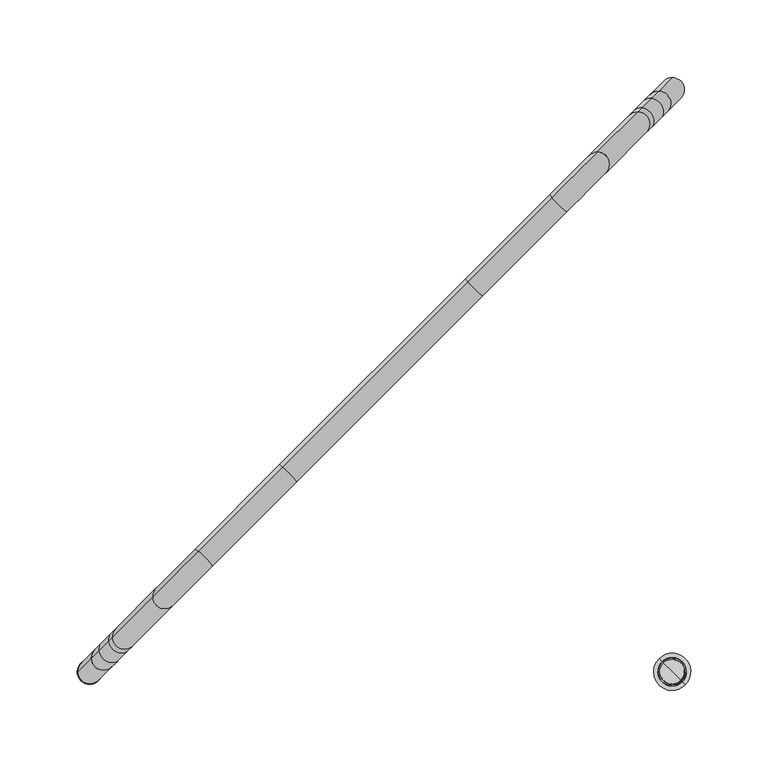
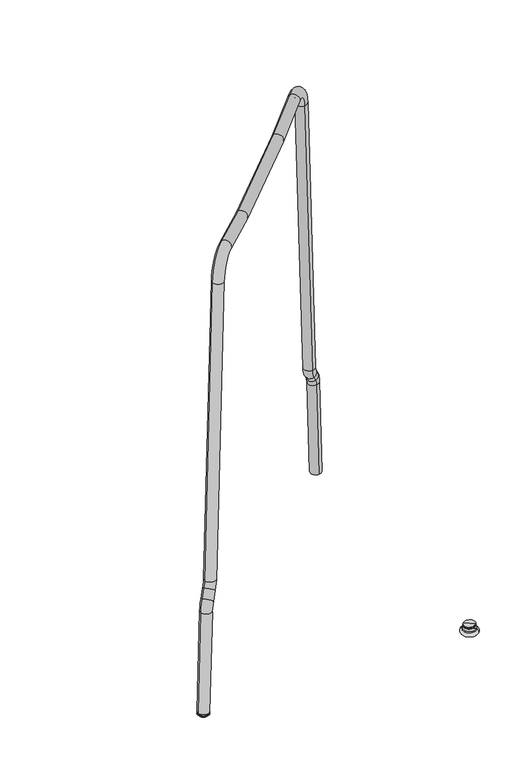
"""IFC4 building model written with IfcOpenShell, lengths in millimetres: furniture geometry."""

from ifc_helpers import new_model, si_unit, point, frame, origin, place, context, project, spatial, polyline, circle_curve, ellipse_curve, trimmed, source, transform, mapped, element, save
from ifc_brep_helpers import plane_surface, cylinder_surface, revolved_surface, advanced_brep


def furniture_56be67d6(model_context):
    return source(origin(), model_context, "Body", "AdvancedBrep", [
        advanced_brep(
        [(-188.2813372, -188.2813372, 12.9997334), (-193.9166972, -193.9166972, 13.6969833), (-182.6459771, -182.6459771, 12.3024835), (-193.9543495, -193.9543495, 12.4468681), (-182.7623958, -182.7623958, 11.0621139), (-194.0706941, -194.0706941, 11.2064914), (-182.8001218, -182.8001218, 9.81201), (-193.2260889, -193.2260889, 11.1019904), (-183.6447269, -183.644727, 9.916511), (-188.7105644, -188.7105644, 6.0614743)],
        [
            (0, 1),
            (1, 2, circle_curve(frame((-188.2813372, -188.2813372, 12.9997334), z_axis=(0.06162841671622601, 0.06162841671622601, 0.9961946980917448), x_axis=(-0.7044160264027566, -0.7044160264027597, 0.08715574274766758)), 8.0000452)),
            (2, 0),
            (2, 1, circle_curve(frame((-188.2813372, -188.2813372, 12.9997334), z_axis=(0.06162841671622601, 0.06162841671622601, 0.9961946980917448), x_axis=(-0.7044160264027566, -0.7044160264027597, 0.08715574274766758)), 8.0000452)),
            (1, 3),
            (3, 4, circle_curve(frame((-188.3583726, -188.3583726, 11.754491), z_axis=(0.06162841671622601, 0.06162841671622601, 0.9961946980917448), x_axis=(-0.7044160264027566, -0.7044160264027597, 0.08715574274766758)), 7.9441362)),
            (4, 2),
            (4, 3, circle_curve(frame((-188.3583726, -188.3583726, 11.754491), z_axis=(0.06162841671622601, 0.06162841671622601, 0.9961946980917448), x_axis=(-0.7044160264027566, -0.7044160264027597, 0.08715574274766758)), 7.9441362)),
            (3, 5),
            (5, 6, circle_curve(frame((-188.4354079, -188.4354079, 10.5092507), z_axis=(0.06162841671622601, 0.06162841671622601, 0.9961946980917448), x_axis=(-0.7044160264027566, -0.7044160264027597, 0.08715574274766758)), 7.9999403)),
            (6, 4),
            (6, 5, circle_curve(frame((-188.4354079, -188.4354079, 10.5092507), z_axis=(0.06162841671622601, 0.06162841671622601, 0.9961946980917448), x_axis=(-0.7044160264027566, -0.7044160264027597, 0.08715574274766758)), 7.9999403)),
            (5, 7),
            (7, 8, circle_curve(frame((-188.4354079, -188.4354079, 10.5092507), z_axis=(0.06162841671622601, 0.06162841671622601, 0.9961946980917448), x_axis=(-0.7044160264027566, -0.7044160264027597, 0.08715574274766758)), 6.8009256)),
            (8, 6),
            (8, 7, circle_curve(frame((-188.4354079, -188.4354079, 10.5092507), z_axis=(0.06162841671622601, 0.06162841671622601, 0.9961946980917448), x_axis=(-0.7044160264027566, -0.7044160264027597, 0.08715574274766758)), 6.8009256)),
            (7, 9, circle_curve(frame((-188.1972766, -188.1972766, 13.5465988), z_axis=(0.707106781186549, -0.707106781186546, 0.0), x_axis=(-0.7071067811865461, -0.707106781186549, 0.0)), 7.5202405)),
            (9, 8, circle_curve(frame((-188.2969722, -188.2969722, 13.5589339), z_axis=(0.7071067811865467, -0.7071067811865483, 0.0), x_axis=(0.6963642403200175, 0.6963642403200158, -0.17364817766694896)), 7.5202405)),
        ],
        [
            plane_surface(frame((-188.2813372, -188.2813372, 12.9997334), z_axis=(0.06162841671622586, 0.06162841671622614, 0.9961946980917448), x_axis=(-0.7044160264027566, -0.7044160264027597, 0.08715574274766758))),
            revolved_surface(polyline([(-193.9543495, -193.9543495, 12.4468681), (-193.9166972, -193.9166972, 13.6969833)]), (-188.2813372, -188.2813372, 12.9997334), (0.06162841671622601, 0.06162841671622601, 0.9961946980917448)),
            revolved_surface(polyline([(-194.0706941, -194.0706941, 11.2064914), (-193.9543495, -193.9543495, 12.4468681)]), (-188.2813372, -188.2813372, 12.9997334), (0.06162841671622601, 0.06162841671622601, 0.9961946980917448)),
            plane_surface(frame((-188.4354079, -188.4354079, 10.5092507), z_axis=(-0.06162841671622586, -0.06162841671622614, -0.9961946980917448), x_axis=(-0.7044160264027566, -0.7044160264027597, 0.08715574274766758))),
            revolved_surface(trimmed(ellipse_curve(frame((-188.1972766, -188.1972766, 13.5465988), z_axis=(-0.707106781186549, 0.707106781186546, 0.0), x_axis=(-0.7071067811865461, -0.707106781186549, 0.0)), 7.5202405, 7.5202405), [point((-188.7105644, -188.7105644, 6.0614743))], [point((-193.2260889, -193.2260889, 11.1019904))], True, "CARTESIAN"), (-188.2813372, -188.2813372, 12.9997334), (0.06162841671622601, 0.06162841671622601, 0.9961946980917448)),
        ],
        [
            (0, [[1, 2, 3]]),
            (0, [[-3, 4, -1]]),
            (1, [[-2, 5, 6, 7]]),
            (1, [[-4, -7, 8, -5]]),
            (2, [[-6, 9, 10, 11]]),
            (2, [[-8, -11, 12, -9]]),
            (3, [[-10, 13, 14, 15]]),
            (3, [[-12, -15, 16, -13]]),
            (4, [[-14, 17, 18]]),
            (4, [[-16, -18, -17]]),
        ],
    ),
        advanced_brep(
        [(181.7333944, -181.7333944, 5.5096764), (194.8341476, -194.8341476, 5.5096764), (194.6483237, -194.6483237, 7.0000593), (181.9192183, -181.9192183, 7.0000593), (181.7333944, -181.7333944, 0.0), (194.8341476, -194.8341476, 0.0), (188.283771, -188.283771, 0.0), (188.283771, -188.283771, 7.0000593)],
        [
            (0, 1, circle_curve(frame((188.283771, -188.283771, 5.5096764), z_axis=(0.0, 0.0, 1.0), x_axis=(0.7071067811865459, -0.7071067811865491, 0.0)), 9.2636315)),
            (1, 2, circle_curve(frame((198.5925934, -198.5925934, 7.2152579), z_axis=(0.7071067811865491, 0.7071067811865459, 0.0), x_axis=(0.7071067811865459, -0.7071067811865491, 0.0)), 5.5821893)),
            (2, 3, circle_curve(frame((188.283771, -188.283771, 7.0000593), z_axis=(0.0, 0.0, -1.0), x_axis=(0.7071067811865459, -0.7071067811865491, 0.0)), 9.0008368)),
            (3, 0, circle_curve(frame((177.9749486, -177.9749486, 7.2152579), z_axis=(0.7071067811865468, 0.7071067811865482, 0.0), x_axis=(-0.7071067811865482, 0.7071067811865468, 0.0)), 5.5821893)),
            (1, 0, circle_curve(frame((188.283771, -188.283771, 5.5096764), z_axis=(0.0, 0.0, 1.0), x_axis=(0.7071067811865459, -0.7071067811865491, 0.0)), 9.2636315)),
            (3, 2, circle_curve(frame((188.283771, -188.283771, 7.0000593), z_axis=(0.0, 0.0, -1.0), x_axis=(0.7071067811865459, -0.7071067811865491, 0.0)), 9.0008368)),
            (4, 5, circle_curve(frame((188.283771, -188.283771, 0.0), z_axis=(0.0, 0.0, 1.0), x_axis=(0.7071067811865459, -0.7071067811865491, 0.0)), 9.2636315)),
            (5, 1, circle_curve(frame((194.8341476, -194.8341476, 2.7548382), z_axis=(-0.7071067811865491, -0.7071067811865459, 0.0), x_axis=(0.7071067811865459, -0.7071067811865491, 0.0)), 2.7548382)),
            (0, 4, circle_curve(frame((181.7333944, -181.7333944, 2.7548382), z_axis=(-0.7071067811865468, -0.7071067811865482, 0.0), x_axis=(-0.7071067811865482, 0.7071067811865468, 0.0)), 2.7548382)),
            (5, 4, circle_curve(frame((188.283771, -188.283771, 0.0), z_axis=(0.0, 0.0, 1.0), x_axis=(0.7071067811865459, -0.7071067811865491, 0.0)), 9.2636315)),
            (6, 5),
            (4, 6),
            (2, 7),
            (7, 3),
        ],
        [
            revolved_surface(trimmed(ellipse_curve(frame((198.5925934, -198.5925934, 7.2152579), z_axis=(-0.7071067811865491, -0.7071067811865459, 0.0), x_axis=(0.7071067811865459, -0.7071067811865491, 0.0)), 5.5821893, 5.5821893), [point((194.6483237, -194.6483237, 7.0000593))], [point((194.8341476, -194.8341476, 5.5096764))], True, "CARTESIAN"), (188.283771, -188.283771, 7.0000593), (0.0, 0.0, -1.0)),
            revolved_surface(trimmed(ellipse_curve(frame((194.8341476, -194.8341476, 2.7548382), z_axis=(0.7071067811865491, 0.7071067811865459, 0.0), x_axis=(0.7071067811865459, -0.7071067811865491, 0.0)), 2.7548382, 2.7548382), [point((194.8341476, -194.8341476, 5.5096764))], [point((194.8341476, -194.8341476, 0.0))], True, "CARTESIAN"), (188.283771, -188.283771, 7.0000593), (0.0, 0.0, -1.0)),
            plane_surface(frame((188.283771, -188.283771, 0.0), z_axis=(0.0, 0.0, -1.0), x_axis=(0.7071067811865459, -0.7071067811865491, 0.0))),
            plane_surface(frame((188.283771, -188.283771, 7.0000593), z_axis=(0.0, 0.0, 1.0), x_axis=(0.7071067811865459, -0.7071067811865491, 0.0))),
        ],
        [
            (0, [[1, 2, 3, 4]]),
            (0, [[5, -4, 6, -2]]),
            (1, [[7, 8, -1, 9]]),
            (1, [[10, -9, -5, -8]]),
            (2, [[11, -7, 12]]),
            (2, [[-12, -10, -11]]),
            (3, [[-3, 13, 14]]),
            (3, [[-6, -14, -13]]),
        ],
    ),
        advanced_brep(
        [(182.6459771, -182.6459771, 12.3024835), (193.9166972, -193.9166972, 13.6969833), (188.2813372, -188.2813372, 12.9997334), (182.7623958, -182.7623958, 11.0621139), (193.9543495, -193.9543495, 12.4468681), (182.8001218, -182.8001218, 9.81201), (194.0706941, -194.0706941, 11.2064914), (183.644727, -183.644727, 9.916511), (193.2260889, -193.2260889, 11.1019904), (188.7105644, -188.7105644, 6.0614743)],
        [
            (0, 1, circle_curve(frame((188.2813372, -188.2813372, 12.9997334), z_axis=(-0.061628416716226014, 0.061628416716226014, 0.9961946980917449), x_axis=(0.7044160264027565, -0.7044160264027597, 0.08715574274766758)), 8.0000452)),
            (1, 2),
            (2, 0),
            (1, 0, circle_curve(frame((188.2813372, -188.2813372, 12.9997334), z_axis=(-0.061628416716226014, 0.061628416716226014, 0.9961946980917449), x_axis=(0.7044160264027565, -0.7044160264027597, 0.08715574274766758)), 8.0000452)),
            (3, 4, circle_curve(frame((188.3583726, -188.3583726, 11.754491), z_axis=(-0.061628416716226014, 0.061628416716226014, 0.9961946980917449), x_axis=(0.7044160264027565, -0.7044160264027597, 0.08715574274766758)), 7.9441362)),
            (4, 1),
            (0, 3),
            (4, 3, circle_curve(frame((188.3583726, -188.3583726, 11.754491), z_axis=(-0.061628416716226014, 0.061628416716226014, 0.9961946980917449), x_axis=(0.7044160264027565, -0.7044160264027597, 0.08715574274766758)), 7.9441362)),
            (5, 6, circle_curve(frame((188.4354079, -188.4354079, 10.5092507), z_axis=(-0.061628416716226014, 0.061628416716226014, 0.9961946980917449), x_axis=(0.7044160264027565, -0.7044160264027597, 0.08715574274766758)), 7.9999403)),
            (6, 4),
            (3, 5),
            (6, 5, circle_curve(frame((188.4354079, -188.4354079, 10.5092507), z_axis=(-0.061628416716226014, 0.061628416716226014, 0.9961946980917449), x_axis=(0.7044160264027565, -0.7044160264027597, 0.08715574274766758)), 7.9999403)),
            (7, 8, circle_curve(frame((188.4354079, -188.4354079, 10.5092507), z_axis=(-0.061628416716226014, 0.061628416716226014, 0.9961946980917449), x_axis=(0.7044160264027565, -0.7044160264027597, 0.08715574274766758)), 6.8009256)),
            (8, 6),
            (5, 7),
            (8, 7, circle_curve(frame((188.4354079, -188.4354079, 10.5092507), z_axis=(-0.061628416716226014, 0.061628416716226014, 0.9961946980917449), x_axis=(0.7044160264027565, -0.7044160264027597, 0.08715574274766758)), 6.8009256)),
            (9, 8, circle_curve(frame((188.1972766, -188.1972766, 13.5465988), z_axis=(-0.7071067811865492, -0.707106781186546, 0.0), x_axis=(0.7071067811865459, -0.7071067811865491, 0.0)), 7.5202405)),
            (7, 9, circle_curve(frame((188.2969722, -188.2969722, 13.5589339), z_axis=(-0.707106781186547, -0.7071067811865482, 0.0), x_axis=(-0.6963642403200173, 0.6963642403200159, -0.17364817766694896)), 7.5202405)),
        ],
        [
            plane_surface(frame((188.2813372, -188.2813372, 12.9997334), z_axis=(-0.06162841671622587, 0.06162841671622615, 0.9961946980917449), x_axis=(0.7044160264027566, -0.7044160264027598, 0.08715574274766759))),
            revolved_surface(polyline([(193.9166972, -193.9166972, 13.6969833), (193.9543495, -193.9543495, 12.4468681)]), (188.2813372, -188.2813372, 12.9997334), (0.061628416716226, -0.061628416716226, -0.9961946980917447)),
            revolved_surface(polyline([(193.9543495, -193.9543495, 12.4468681), (194.0706941, -194.0706941, 11.2064914)]), (188.2813372, -188.2813372, 12.9997334), (0.061628416716226, -0.061628416716226, -0.9961946980917447)),
            plane_surface(frame((188.4354079, -188.4354079, 10.5092507), z_axis=(0.06162841671622587, -0.06162841671622615, -0.9961946980917449), x_axis=(0.7044160264027566, -0.7044160264027598, 0.08715574274766759))),
            revolved_surface(trimmed(ellipse_curve(frame((188.1972766, -188.1972766, 13.5465988), z_axis=(0.7071067811865492, 0.707106781186546, 0.0), x_axis=(0.7071067811865459, -0.7071067811865491, 0.0)), 7.5202405, 7.5202405), [point((193.2260889, -193.2260889, 11.1019904))], [point((188.7105644, -188.7105644, 6.0614743))], True, "CARTESIAN"), (188.2813372, -188.2813372, 12.9997334), (0.061628416716226, -0.061628416716226, -0.9961946980917447)),
        ],
        [
            (0, [[1, 2, 3]]),
            (0, [[4, -3, -2]]),
            (1, [[5, 6, -1, 7]]),
            (1, [[8, -7, -4, -6]]),
            (2, [[9, 10, -5, 11]]),
            (2, [[12, -11, -8, -10]]),
            (3, [[13, 14, -9, 15]]),
            (3, [[16, -15, -12, -14]]),
            (4, [[17, -13, 18]]),
            (4, [[-18, -16, -17]]),
        ],
    ),
        advanced_brep(
        [(-180.5018441, -188.3105119, 12.5202691), (-196.0600088, -188.2511957, 13.4790872), (-187.2847373, -179.4759242, 155.3272697), (-171.7265727, -179.5352404, 154.3684516), (-168.8238463, -176.6325141, 164.1023843), (-182.5272054, -174.7183923, 171.2810629), (-176.4047706, -168.5959575, 181.3356761), (-162.7014115, -170.5100793, 174.1569975), (-158.2151896, -166.0238573, 189.2009865), (-173.7733543, -165.9645412, 190.1598046), (-147.7722502, -139.9634371, 610.4555613), (-132.2140855, -140.0227532, 609.4967432), (-111.3917712, -119.200439, 633.2503889), (-118.2232397, -110.4144266, 644.1644332), (-56.485058, -64.2937257, 625.8068251), (-63.7871563, -55.9783432, 636.7846716), (64.2936789, 56.4850111, 625.8068251), (55.9782964, 63.7871095, 636.7846716), (119.2003922, 111.3917244, 633.2503889), (110.4143798, 118.2231929, 644.1644332), (140.0227064, 132.2140387, 609.4967432), (139.9633903, 147.7722034, 610.4555613), (165.9644944, 173.7733075, 190.1598046), (166.0238105, 158.2151428, 189.2009865), (170.5100325, 162.7013647, 174.1569975), (168.5959107, 176.4047238, 181.3356761), (174.7183455, 182.5271586, 171.2810629), (176.6324673, 168.8237995, 164.1023843), (179.5351936, 171.7265258, 154.3684516), (179.4758774, 187.2846905, 155.3272697), (188.3104651, 180.5017973, 12.5202691), (188.2511489, 196.059962, 13.4790872)],
        [
            (0, 1, circle_curve(frame((-188.2809265, -188.2808538, 12.9996781), z_axis=(-0.061628416716221705, -0.06162841671622218, -0.9961946980917453), x_axis=(-0.9980991625349916, 0.003805294994238739, 0.06151082406337193)), 7.7938973)),
            (1, 0, circle_curve(frame((-188.2809265, -188.2808538, 12.9996781), z_axis=(-0.061628416716221705, -0.06162841671622218, -0.9961946980917453), x_axis=(-0.9980991625349916, 0.003805294994238739, 0.06151082406337193)), 7.7938973)),
            (1, 2),
            (2, 3, circle_curve(frame((-179.505655, -179.5055823, 154.8478606), z_axis=(-0.061628416716221705, -0.06162841671622218, -0.9961946980917453), x_axis=(-0.9980991625349916, 0.003805294994238739, 0.06151082406337193)), 7.7938973)),
            (3, 0),
            (3, 2, circle_curve(frame((-179.505655, -179.5055823, 154.8478606), z_axis=(-0.061628416716221705, -0.06162841671622218, -0.9961946980917453), x_axis=(-0.9980991625349916, 0.003805294994238739, 0.06151082406337193)), 7.7938973)),
            (4, 3, circle_curve(frame((-159.5989093, -167.4075771, 152.8679242), z_axis=(0.7071067811865491, -0.7071067811865459, 0.0), x_axis=(-0.7044160264027568, -0.70441602640276, 0.08715574274766161)), 17.2166204)),
            (2, 5, circle_curve(frame((-167.4076497, -159.5988366, 152.8679242), z_axis=(-0.7071067811865491, 0.7071067811865459, 0.0), x_axis=(-0.7044160264027568, -0.70441602640276, 0.08715574274766161)), 28.2178242)),
            (5, 4, circle_curve(frame((-175.6755259, -175.6754532, 167.6917236), z_axis=(-0.4614124422001983, -0.4614124422002004, -0.7577579536802601), x_axis=(-0.8791082698817534, 0.1227961876474779, 0.46053202508051044)), 7.7938973)),
            (4, 5, circle_curve(frame((-175.6755259, -175.6754532, 167.6917236), z_axis=(-0.46141244220019917, -0.4614124422002013, -0.757757953680259), x_axis=(-0.8791082698817527, 0.12279618764747852, 0.4605320250805113)), 7.7938973)),
            (5, 6),
            (6, 7, circle_curve(frame((-169.5530911, -169.5530184, 177.7463368), z_axis=(-0.46141244220019695, -0.461412442200197, -0.7577579536802632), x_axis=(-0.8791082698817543, 0.12279618764747677, 0.46053202508050906)), 7.7938973)),
            (7, 4),
            (7, 6, circle_curve(frame((-169.5530911, -169.5530184, 177.7463368), z_axis=(-0.46141244220019695, -0.461412442200197, -0.7577579536802632), x_axis=(-0.8791082698817543, 0.12279618764747677, 0.46053202508050906)), 7.7938973)),
            (8, 7, circle_curve(frame((-176.9587374, -184.7674052, 191.5200817), z_axis=(-0.7071067811865491, 0.7071067811865459, 0.0), x_axis=(0.5358157875453553, 0.5358157875453577, -0.6525357336072093)), 26.6086334)),
            (6, 9, circle_curve(frame((-184.7674778, -176.9586648, 191.5200817), z_axis=(0.7071067811865491, -0.7071067811865459, 0.0), x_axis=(0.5358157875453553, 0.5358157875453577, -0.6525357336072093)), 15.6074296)),
            (9, 8, circle_curve(frame((-165.9942719, -165.9941993, 189.6803955), z_axis=(-0.06162841671622385, -0.061628416716224516, -0.996194698091745), x_axis=(-0.9980991625349915, 0.0038052949942388725, 0.0615108240633741)), 7.7938973)),
            (8, 9, circle_curve(frame((-165.9942719, -165.9941993, 189.6803955), z_axis=(-0.06162841671622446, -0.06162841671622507, -0.9961946980917449), x_axis=(-0.9980991625349914, 0.003805294994238928, 0.061510824063374714)), 7.7938973)),
            (9, 10),
            (10, 11, circle_curve(frame((-139.9931678, -139.9930952, 609.9761522), z_axis=(-0.06162841671622337, -0.06162841671622382, -0.9961946980917451), x_axis=(-0.9980991625349915, 0.0038052949942387337, 0.061510824063373604)), 7.7938973)),
            (11, 8),
            (11, 10, circle_curve(frame((-139.9931678, -139.9930952, 609.9761522), z_axis=(-0.06162841671622337, -0.06162841671622382, -0.9961946980917451), x_axis=(-0.9980991625349915, 0.0038052949942387337, 0.061510824063373604)), 7.7938973)),
            (12, 11, circle_curve(frame((-113.7235888, -121.5322565, 607.2089574), z_axis=(0.7071067811865491, -0.7071067811865459, 0.0), x_axis=(-0.7044160264027568, -0.70441602640276, 0.0871557427476625)), 26.2493981)),
            (10, 13, circle_curve(frame((-121.5323292, -113.7235161, 607.2089574), z_axis=(-0.7071067811865491, 0.7071067811865459, 0.0), x_axis=(-0.7044160264027568, -0.70441602640276, 0.0871557427476625)), 37.2506019)),
            (13, 12, circle_curve(frame((-114.8075055, -114.8074328, 638.7074111), z_axis=(-0.7015045727917346, -0.7015045727917381, 0.1256290917923353), x_axis=(-0.4382575387642051, 0.5636469187650278, 0.7001660379388817)), 7.7938973)),
            (12, 13, circle_curve(frame((-114.8075055, -114.8074328, 638.7074111), z_axis=(-0.7015045727917347, -0.7015045727917382, 0.12562909179233356), x_axis=(-0.4382575387642059, 0.5636469187650269, 0.7001660379388818)), 7.7938973)),
            (14, 12, circle_curve(frame((2.6230741, -5.1855936, 1906.5531604), z_axis=(-0.7071067811865491, 0.7071067811865459, 0.0), x_axis=(-0.08883318272066863, -0.08883318272066903, -0.9920772809088174)), 1283.4713545)),
            (13, 15, circle_curve(frame((-5.1856663, 2.6231468, 1906.5531604), z_axis=(0.7071067811865491, -0.7071067811865459, 0.0), x_axis=(-0.08883318272066863, -0.08883318272066903, -0.9920772809088174)), 1272.4701507)),
            (15, 14, circle_curve(frame((-60.1361071, -60.1360345, 631.2957484), z_axis=(-0.7056054780353367, -0.7056054780353401, 0.06512924637245057), x_axis=(-0.4684497418563233, 0.5334547156729095, 0.7042591182803952)), 7.7938973)),
            (14, 15, circle_curve(frame((-60.1361071, -60.1360345, 631.2957484), z_axis=(-0.7056054780353367, -0.7056054780353401, 0.06512924637245063), x_axis=(-0.46844974185632327, 0.5334547156729095, 0.7042591182803952)), 7.7938973)),
            (16, 14, circle_curve(frame((3.9043105, -3.9043573, 1934.3148013), z_axis=(-0.7071067811865491, 0.707106781186546, 0.0), x_axis=(-0.04605333176352939, -0.04605333176352959, -0.9978768367223264)), 1311.2920633)),
            (15, 17, circle_curve(frame((-3.90443, 3.9043831, 1934.3148013), z_axis=(0.7071067811865491, -0.707106781186546, 0.0), x_axis=(-0.04605333176352939, -0.04605333176352959, -0.9978768367223264)), 1300.2908595)),
            (17, 16, circle_curve(frame((60.1359876, 60.1360603, 631.2957484), z_axis=(-0.7056054780353334, -0.7056054780353368, -0.06512924637252514), x_axis=(-0.533454715672949, 0.4684497418562835, 0.7042591182803917)), 7.7938973)),
            (16, 17, circle_curve(frame((60.1359876, 60.1360603, 631.2957484), z_axis=(-0.7056054780353334, -0.7056054780353368, -0.06512924637252514), x_axis=(-0.533454715672949, 0.4684497418562835, 0.7042591182803917)), 7.7938973)),
            (18, 16, circle_curve(frame((5.1855468, -2.623121, 1906.5531604), z_axis=(-0.7071067811865501, 0.707106781186545, 0.0), x_axis=(0.04605333176358157, 0.0460533317635819, -0.9978768367223216)), 1283.4713545)),
            (17, 19, circle_curve(frame((-2.6231936, 5.1856195, 1906.5531604), z_axis=(0.7071067811865501, -0.707106781186545, 0.0), x_axis=(0.04605333176358157, 0.0460533317635819, -0.9978768367223216)), 1272.4701507)),
            (19, 18, circle_curve(frame((114.807386, 114.8074586, 638.7074111), z_axis=(-0.7015045727917341, -0.7015045727917391, -0.12562909179233292), x_axis=(-0.5636469187650294, 0.43825753876420304, 0.7001660379388818)), 7.7938973)),
            (18, 19, circle_curve(frame((114.807386, 114.8074586, 638.7074111), z_axis=(-0.7015045727917338, -0.701504572791739, -0.12562909179233522), x_axis=(-0.5636469187650305, 0.4382575387642019, 0.7001660379388814)), 7.7938973)),
            (20, 18, circle_curve(frame((121.5322097, 113.723542, 607.2089574), z_axis=(0.7071067811865501, -0.707106781186545, 0.0), x_axis=(-0.08883318272085777, -0.08883318272085841, 0.9920772809087834)), 26.2493981)),
            (19, 21, circle_curve(frame((113.7234693, 121.5322824, 607.2089574), z_axis=(-0.7071067811865501, 0.707106781186545, 0.0), x_axis=(-0.08883318272085777, -0.08883318272085841, 0.9920772809087834)), 37.2506019)),
            (21, 20, circle_curve(frame((139.9930484, 139.993121, 609.9761522), z_axis=(-0.06162841671623429, -0.06162841671623473, 0.9961946980917437), x_axis=(-0.003805294994245312, 0.9980991625349911, 0.06151082406338461)), 7.7938973)),
            (20, 21, circle_curve(frame((139.9930484, 139.993121, 609.9761522), z_axis=(-0.06162841671623367, -0.061628416716234105, 0.9961946980917438), x_axis=(-0.0038052949942452563, 0.9980991625349911, 0.061510824063383984)), 7.7938973)),
            (21, 22),
            (22, 23, circle_curve(frame((165.9941524, 165.9942251, 189.6803955), z_axis=(-0.06162841671622577, -0.06162841671622653, 0.9961946980917447), x_axis=(-0.0038052949942444783, 0.9980991625349915, 0.061510824063376435)), 7.7938973)),
            (23, 20),
            (23, 22, circle_curve(frame((165.9941524, 165.9942251, 189.6803955), z_axis=(-0.06162841671622577, -0.06162841671622653, 0.9961946980917447), x_axis=(-0.0038052949942444783, 0.9980991625349915, 0.061510824063376435)), 7.7938973)),
            (24, 23, circle_curve(frame((184.7673584, 176.9586906, 191.5200817), z_axis=(-0.7071067811865501, 0.707106781186545, 0.0), x_axis=(-0.7044160264027559, -0.704416026402761, -0.08715574274766205)), 26.6086334)),
            (22, 25, circle_curve(frame((176.9586179, 184.767431, 191.5200817), z_axis=(0.7071067811865501, -0.707106781186545, 0.0), x_axis=(-0.7044160264027559, -0.704416026402761, -0.08715574274766205)), 15.6074296)),
            (25, 24, circle_curve(frame((169.5529716, 169.5530443, 177.7463368), z_axis=(-0.46141244220019756, -0.4614124422002012, 0.7577579536802604), x_axis=(-0.12279618764748262, 0.8791082698817525, 0.460532025080511)), 7.7938973)),
            (24, 25, circle_curve(frame((169.5529716, 169.5530443, 177.7463368), z_axis=(-0.46141244220019656, -0.4614124422002003, 0.7577579536802613), x_axis=(-0.12279618764748218, 0.879108269881753, 0.46053202508051005)), 7.7938973)),
            (25, 26),
            (26, 27, circle_curve(frame((175.6754064, 175.6754791, 167.6917236), z_axis=(-0.46141244220019606, -0.4614124422002019, 0.7577579536802609), x_axis=(-0.1227961876474829, 0.8791082698817521, 0.4605320250805112)), 7.7938973)),
            (27, 24),
            (27, 26, circle_curve(frame((175.6754064, 175.6754791, 167.6917236), z_axis=(-0.46141244220019606, -0.4614124422002019, 0.7577579536802609), x_axis=(-0.1227961876474829, 0.8791082698817521, 0.4605320250805112)), 7.7938973)),
            (28, 27, circle_curve(frame((167.4075303, 159.5988625, 152.8679242), z_axis=(0.7071067811865501, -0.707106781186545, 0.0), x_axis=(0.5358157875453494, 0.5358157875453533, 0.6525357336072178)), 17.2166204)),
            (26, 29, circle_curve(frame((159.5987898, 167.4076029, 152.8679242), z_axis=(-0.7071067811865501, 0.707106781186545, 0.0), x_axis=(0.5358157875453494, 0.5358157875453533, 0.6525357336072178)), 28.2178242)),
            (29, 28, circle_curve(frame((179.5055355, 179.5056082, 154.8478606), z_axis=(-0.061628416716227125, -0.06162841671622796, 0.9961946980917448), x_axis=(-0.0038052949942444236, 0.9980991625349915, 0.06151082406337777)), 7.7938973)),
            (28, 29, circle_curve(frame((179.5055355, 179.5056082, 154.8478606), z_axis=(-0.06162841671622846, -0.06162841671622929, 0.9961946980917447), x_axis=(-0.0038052949942445347, 0.9980991625349914, 0.061510824063379044)), 7.7938973)),
            (30, 31, circle_curve(frame((188.280807, 188.2808796, 12.9996781), z_axis=(0.06162841671622414, 0.0616284167162247, -0.9961946980917449), x_axis=(-0.0038052949942445893, 0.9980991625349915, 0.06151082406337459)), 7.7938973)),
            (31, 30, circle_curve(frame((188.280807, 188.2808796, 12.9996781), z_axis=(0.06162841671622414, 0.0616284167162247, -0.9961946980917449), x_axis=(-0.0038052949942445893, 0.9980991625349915, 0.06151082406337459)), 7.7938973)),
            (29, 31),
            (30, 28),
        ],
        [
            plane_surface(frame((-188.2809265, -188.2808538, 12.9996781), z_axis=(-0.06162841671622171, -0.061628416716222184, -0.9961946980917453), x_axis=(-0.7071067811865491, 0.7071067811865459, 0.0))),
            cylinder_surface(frame((-188.2809265, -188.2808538, 12.9996781), z_axis=(-0.061628416716221705, -0.06162841671622218, -0.9961946980917453), x_axis=(-0.9980991625349916, 0.003805294994238739, 0.06151082406337193)), 7.7938973),
            revolved_surface(trimmed(ellipse_curve(frame((-179.505655, -179.5055823, 154.8478606), z_axis=(-0.0616284167162216, -0.06162841671622191, -0.9961946980917451), x_axis=(-0.9980991625349918, 0.0038052949942389835, 0.06151082406337183)), 7.7938973, 7.7938973), [point((-187.2847373, -179.4759242, 155.3272697))], [point((-171.7265727, -179.5352404, 154.3684516))], True, "CARTESIAN"), (-163.5032795, -163.5032069, 152.8679242), (-0.7071067811865491, 0.7071067811865459, 0.0)),
            revolved_surface(trimmed(ellipse_curve(frame((-179.505655, -179.5055823, 154.8478606), z_axis=(-0.0616284167162216, -0.06162841671622191, -0.9961946980917451), x_axis=(-0.9980991625349918, 0.0038052949942389835, 0.06151082406337183)), 7.7938973, 7.7938973), [point((-171.7265727, -179.5352404, 154.3684516))], [point((-187.2847373, -179.4759242, 155.3272697))], True, "CARTESIAN"), (-163.5032795, -163.5032069, 152.8679242), (-0.7071067811865491, 0.7071067811865459, 0.0)),
            cylinder_surface(frame((-175.6755259, -175.6754532, 167.6917236), z_axis=(-0.46141244220019695, -0.461412442200197, -0.7577579536802632), x_axis=(-0.8791082698817543, 0.12279618764747677, 0.46053202508050906)), 7.7938973),
            revolved_surface(trimmed(ellipse_curve(frame((-169.5530911, -169.5530184, 177.7463368), z_axis=(-0.461412442200195, -0.4614124422001974, -0.7577579536802641), x_axis=(-0.8791082698817552, 0.1227961876474758, 0.46053202508050733)), 7.7938973, 7.7938973), [point((-176.4047706, -168.5959575, 181.3356761))], [point((-162.7014115, -170.5100793, 174.1569975))], True, "CARTESIAN"), (-180.8631076, -180.863035, 191.5200817), (0.7071067811865491, -0.7071067811865459, 0.0)),
            revolved_surface(trimmed(ellipse_curve(frame((-169.5530911, -169.5530184, 177.7463368), z_axis=(-0.461412442200195, -0.4614124422001974, -0.7577579536802641), x_axis=(-0.8791082698817552, 0.1227961876474758, 0.46053202508050733)), 7.7938973, 7.7938973), [point((-162.7014115, -170.5100793, 174.1569975))], [point((-176.4047706, -168.5959575, 181.3356761))], True, "CARTESIAN"), (-180.8631076, -180.863035, 191.5200817), (0.7071067811865491, -0.7071067811865459, 0.0)),
            cylinder_surface(frame((-165.9942719, -165.9941993, 189.6803955), z_axis=(-0.06162841671622337, -0.06162841671622382, -0.9961946980917451), x_axis=(-0.9980991625349915, 0.0038052949942387337, 0.061510824063373604)), 7.7938973),
            revolved_surface(trimmed(ellipse_curve(frame((-139.9931678, -139.9930952, 609.9761522), z_axis=(-0.06162841671622208, -0.06162841671622252, -0.9961946980917451), x_axis=(-0.9980991625349916, 0.003805294994238706, 0.06151082406337233)), 7.7938973, 7.7938973), [point((-147.7722502, -139.9634371, 610.4555613))], [point((-132.2140855, -140.0227532, 609.4967432))], True, "CARTESIAN"), (-117.627959, -117.6278863, 607.2089574), (-0.7071067811865491, 0.7071067811865459, 0.0)),
            revolved_surface(trimmed(ellipse_curve(frame((-139.9931678, -139.9930952, 609.9761522), z_axis=(-0.06162841671622208, -0.06162841671622252, -0.9961946980917451), x_axis=(-0.9980991625349916, 0.003805294994238706, 0.06151082406337233)), 7.7938973, 7.7938973), [point((-132.2140855, -140.0227532, 609.4967432))], [point((-147.7722502, -139.9634371, 610.4555613))], True, "CARTESIAN"), (-117.627959, -117.6278863, 607.2089574), (-0.7071067811865491, 0.7071067811865459, 0.0)),
            revolved_surface(trimmed(ellipse_curve(frame((-114.8075055, -114.8074328, 638.7074111), z_axis=(-0.7015045727917345, -0.701504572791738, 0.12562909179233686), x_axis=(-0.43825753876420437, 0.5636469187650286, 0.7001660379388817)), 7.7938973, 7.7938973), [point((-118.2232397, -110.4144266, 644.1644332))], [point((-111.3917712, -119.200439, 633.2503889))], True, "CARTESIAN"), (-1.2812961, -1.2812234, 1906.5531604), (0.7071067811865491, -0.7071067811865459, 0.0)),
            revolved_surface(trimmed(ellipse_curve(frame((-114.8075055, -114.8074328, 638.7074111), z_axis=(-0.7015045727917345, -0.701504572791738, 0.12562909179233686), x_axis=(-0.43825753876420437, 0.5636469187650286, 0.7001660379388817)), 7.7938973, 7.7938973), [point((-111.3917712, -119.200439, 633.2503889))], [point((-118.2232397, -110.4144266, 644.1644332))], True, "CARTESIAN"), (-1.2812961, -1.2812234, 1906.5531604), (0.7071067811865491, -0.7071067811865459, 0.0)),
            revolved_surface(trimmed(ellipse_curve(frame((-60.1361071, -60.1360345, 631.2957484), z_axis=(-0.7056054780353368, -0.7056054780353401, 0.06512924637245102), x_axis=(-0.46844974185632304, 0.5334547156729097, 0.704259118280395)), 7.7938973, 7.7938973), [point((-63.7871563, -55.9783432, 636.7846716))], [point((-56.485058, -64.2937257, 625.8068251))], True, "CARTESIAN"), (-5.97e-05, 1.29e-05, 1934.3148013), (0.7071067811865491, -0.707106781186546, 0.0)),
            revolved_surface(trimmed(ellipse_curve(frame((-60.1361071, -60.1360345, 631.2957484), z_axis=(-0.7056054780353368, -0.7056054780353401, 0.06512924637245102), x_axis=(-0.46844974185632304, 0.5334547156729097, 0.704259118280395)), 7.7938973, 7.7938973), [point((-56.485058, -64.2937257, 625.8068251))], [point((-63.7871563, -55.9783432, 636.7846716))], True, "CARTESIAN"), (-5.97e-05, 1.29e-05, 1934.3148013), (0.7071067811865491, -0.707106781186546, 0.0)),
            revolved_surface(trimmed(ellipse_curve(frame((60.1359876, 60.1360603, 631.2957484), z_axis=(-0.7056054780353324, -0.7056054780353375, -0.06512924637252523), x_axis=(-0.5334547156729497, 0.46844974185628296, 0.7042591182803916)), 7.7938973, 7.7938973), [point((55.9782964, 63.7871095, 636.7846716))], [point((64.2936789, 56.4850111, 625.8068251))], True, "CARTESIAN"), (1.2811766, 1.2812493, 1906.5531604), (0.7071067811865501, -0.707106781186545, 0.0)),
            revolved_surface(trimmed(ellipse_curve(frame((60.1359876, 60.1360603, 631.2957484), z_axis=(-0.7056054780353324, -0.7056054780353375, -0.06512924637252523), x_axis=(-0.5334547156729497, 0.46844974185628296, 0.7042591182803916)), 7.7938973, 7.7938973), [point((64.2936789, 56.4850111, 625.8068251))], [point((55.9782964, 63.7871095, 636.7846716))], True, "CARTESIAN"), (1.2811766, 1.2812493, 1906.5531604), (0.7071067811865501, -0.707106781186545, 0.0)),
            revolved_surface(trimmed(ellipse_curve(frame((114.807386, 114.8074586, 638.7074111), z_axis=(-0.7015045727917096, -0.7015045727917147, -0.12562909179260495), x_axis=(-0.5636469187651652, 0.4382575387640672, 0.7001660379388577)), 7.7938973, 7.7938973), [point((110.4143798, 118.2231929, 644.1644332))], [point((119.2003922, 111.3917244, 633.2503889))], True, "CARTESIAN"), (117.6278395, 117.6279122, 607.2089574), (-0.7071067811865501, 0.707106781186545, 0.0)),
            revolved_surface(trimmed(ellipse_curve(frame((114.807386, 114.8074586, 638.7074111), z_axis=(-0.7015045727917096, -0.7015045727917147, -0.12562909179260495), x_axis=(-0.5636469187651652, 0.4382575387640672, 0.7001660379388577)), 7.7938973, 7.7938973), [point((119.2003922, 111.3917244, 633.2503889))], [point((110.4143798, 118.2231929, 644.1644332))], True, "CARTESIAN"), (117.6278395, 117.6279122, 607.2089574), (-0.7071067811865501, 0.707106781186545, 0.0)),
            cylinder_surface(frame((139.9930484, 139.993121, 609.9761522), z_axis=(-0.061628416716225785, -0.06162841671622654, 0.9961946980917449), x_axis=(-0.0038052949942444783, 0.9980991625349915, 0.061510824063376435)), 7.7938973),
            revolved_surface(trimmed(ellipse_curve(frame((165.9941524, 165.9942251, 189.6803955), z_axis=(-0.0616284167162219, -0.06162841671622266, 0.9961946980917453), x_axis=(-0.0038052949942442016, 0.9980991625349918, 0.06151082406337256)), 7.7938973, 7.7938973), [point((165.9644944, 173.7733075, 190.1598046))], [point((166.0238105, 158.2151428, 189.2009865))], True, "CARTESIAN"), (180.8629882, 180.8630608, 191.5200817), (0.7071067811865501, -0.707106781186545, 0.0)),
            revolved_surface(trimmed(ellipse_curve(frame((165.9941524, 165.9942251, 189.6803955), z_axis=(-0.0616284167162219, -0.06162841671622266, 0.9961946980917453), x_axis=(-0.0038052949942442016, 0.9980991625349918, 0.06151082406337256)), 7.7938973, 7.7938973), [point((166.0238105, 158.2151428, 189.2009865))], [point((165.9644944, 173.7733075, 190.1598046))], True, "CARTESIAN"), (180.8629882, 180.8630608, 191.5200817), (0.7071067811865501, -0.707106781186545, 0.0)),
            cylinder_surface(frame((169.5529716, 169.5530443, 177.7463368), z_axis=(-0.46141244220019595, -0.4614124422002018, 0.7577579536802607), x_axis=(-0.1227961876474829, 0.8791082698817521, 0.4605320250805112)), 7.7938973),
            revolved_surface(trimmed(ellipse_curve(frame((175.6754064, 175.6754791, 167.6917236), z_axis=(-0.46141244220020067, -0.46141244220020444, 0.7577579536802568), x_axis=(-0.12279618764748446, 0.8791082698817507, 0.4605320250805141)), 7.7938973, 7.7938973), [point((174.7183455, 182.5271586, 171.2810629))], [point((176.6324673, 168.8237995, 164.1023843))], True, "CARTESIAN"), (163.50316, 163.5032327, 152.8679242), (-0.7071067811865501, 0.707106781186545, 0.0)),
            revolved_surface(trimmed(ellipse_curve(frame((175.6754064, 175.6754791, 167.6917236), z_axis=(-0.46141244220020067, -0.46141244220020444, 0.7577579536802568), x_axis=(-0.12279618764748446, 0.8791082698817507, 0.4605320250805141)), 7.7938973, 7.7938973), [point((176.6324673, 168.8237995, 164.1023843))], [point((174.7183455, 182.5271586, 171.2810629))], True, "CARTESIAN"), (163.50316, 163.5032327, 152.8679242), (-0.7071067811865501, 0.707106781186545, 0.0)),
            plane_surface(frame((188.280807, 188.2808796, 12.9996781), z_axis=(0.06162841671622394, 0.06162841671622464, -0.9961946980917451), x_axis=(-0.7071067811865502, 0.7071067811865449, 0.0))),
            cylinder_surface(frame((179.5055355, 179.5056082, 154.8478606), z_axis=(-0.061628416716224155, -0.06162841671622472, 0.9961946980917451), x_axis=(-0.0038052949942445893, 0.9980991625349915, 0.06151082406337459)), 7.7938973),
        ],
        [
            (0, [[1, 2]]),
            (1, [[-2, 3, 4, 5]]),
            (1, [[-1, -5, 6, -3]]),
            (2, [[7, -4, 8, 9]]),
            (3, [[-8, -6, -7, 10]]),
            (4, [[-9, 11, 12, 13]]),
            (4, [[-10, -13, 14, -11]]),
            (5, [[15, -12, 16, 17]]),
            (6, [[-16, -14, -15, 18]]),
            (7, [[-17, 19, 20, 21]]),
            (7, [[-18, -21, 22, -19]]),
            (8, [[23, -20, 24, 25]]),
            (9, [[-24, -22, -23, 26]]),
            (10, [[27, -25, 28, 29]]),
            (11, [[-28, -26, -27, 30]]),
            (12, [[31, -29, 32, 33]]),
            (13, [[-32, -30, -31, 34]]),
            (14, [[35, -33, 36, 37]]),
            (15, [[-36, -34, -35, 38]]),
            (16, [[39, -37, 40, 41]]),
            (17, [[-40, -38, -39, 42]]),
            (18, [[-41, 43, 44, 45]]),
            (18, [[-42, -45, 46, -43]]),
            (19, [[47, -44, 48, 49]]),
            (20, [[-48, -46, -47, 50]]),
            (21, [[-49, 51, 52, 53]]),
            (21, [[-50, -53, 54, -51]]),
            (22, [[55, -52, 56, 57]]),
            (23, [[-56, -54, -55, 58]]),
            (24, [[59, 60]]),
            (25, [[-57, 61, -59, 62]]),
            (25, [[-58, -62, -60, -61]]),
        ],
    ),
    ])


if __name__ == "__main__":
    model = new_model("IFC4")
    model_context = context("Model", 3, world=origin())
    ifc_project = project(units=[si_unit("LENGTHUNIT", "METRE", prefix="MILLI")], contexts=[model_context])
    site = spatial("IfcSite", under=ifc_project)
    building = spatial("IfcBuilding", under=site)
    placement = place(None, origin())
    furniture_shape = furniture_56be67d6(model_context)
    element("IfcFurniture", 1, at=placement, inside=building, context=model_context, shape_type="MappedRepresentation", body=[
        mapped(furniture_shape, transform((0.0, 0.0, 0.0), x_axis=(1.0, 0.0, 0.0), y_axis=(0.0, 1.0, 0.0), z_axis=(0.0, 0.0, 1.0))),
    ])
    save(model, "model.ifc")
